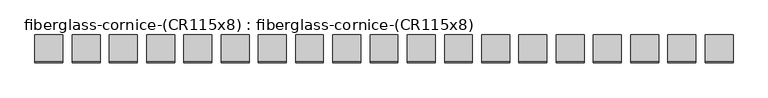
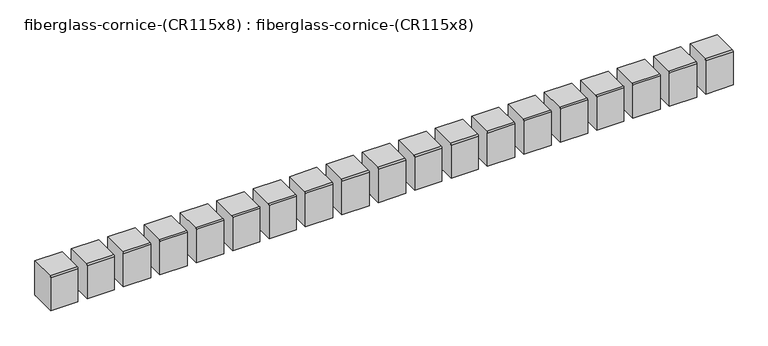
"""IFC4 building model written with IfcOpenShell, lengths in millimetres: furniture geometry, fiberglass-cornice-(CR115x8) : fiberglass-cornice-(CR115x8)."""

from ifc_helpers import new_model, si_unit, frame, origin, place, context, project, spatial, circle_curve, source, transform, mapped, element, save
from ifc_brep_helpers import plane_surface, cylinder_surface, advanced_brep


def fiberglass_cornice_cr115x8_fiberglass_cornice_cr115x8_b365bd9b(model_context):
    return source(origin(), model_context, "Body", "AdvancedBrep", [
        advanced_brep(
        [(-2171.7316018, 254.0000168, 133.3535912), (-2171.7316018, 257.1750148, 136.5250039), (-2171.7316018, 330.2314169, 136.5250208), (-2171.7316018, 330.2314169, 38.09225), (-2171.7316018, 327.0743395, 34.9351726), (-2171.7316018, 254.0000168, 34.9351726), (-2095.5002018, 254.0000168, 133.3535912), (-2095.5002018, 254.0000168, 34.9351726), (-2095.5002018, 327.0743395, 34.9351726), (-2095.5002018, 330.2314169, 38.09225), (-2095.5002018, 330.2314169, 136.5250208), (-2095.5002018, 257.1750149, 136.5250208)],
        [
            (0, 1, circle_curve(frame((-2171.7316018, 257.1750148, 133.3500039), z_axis=(-1.0, 0.0, 0.0), x_axis=(0.0, 1.0, 0.0)), 3.175)),
            (1, 2),
            (2, 3),
            (3, 4, circle_curve(frame((-2171.7316018, 327.0743395, 38.09225), z_axis=(-1.0, 0.0, 0.0), x_axis=(0.0, 1.0, 0.0)), 3.1570774)),
            (4, 5),
            (5, 0),
            (6, 7),
            (7, 8),
            (8, 9, circle_curve(frame((-2095.5002018, 327.0743395, 38.09225), z_axis=(1.0, 0.0, 0.0), x_axis=(0.0, 1.0, 0.0)), 3.1570774)),
            (9, 10),
            (10, 11),
            (11, 6, circle_curve(frame((-2095.5002018, 257.1750148, 133.3500039), z_axis=(1.0, 0.0, 0.0), x_axis=(0.0, 1.0, 0.0)), 3.175)),
            (0, 6),
            (11, 1),
            (10, 2),
            (9, 3),
            (8, 4),
            (7, 5),
        ],
        [
            plane_surface(frame((-2171.7316018, 260.3500148, 133.3500039), z_axis=(-1.0, 0.0, 0.0), x_axis=(0.0, 0.0, -1.0))),
            plane_surface(frame((-2095.5002018, 260.3500148, 133.3500039), z_axis=(1.0, 0.0, 0.0), x_axis=(0.0, 0.0, 1.0))),
            cylinder_surface(frame((-2095.5002018, 257.1750148, 133.3500039), z_axis=(-1.0, 0.0, 0.0), x_axis=(0.0, 1.0, 0.0)), 3.175),
            plane_surface(frame((-2171.7316018, 257.1750149, 136.5250208), z_axis=(0.0, 0.0, 1.0), x_axis=(1.0, 0.0, 0.0))),
            plane_surface(frame((-2171.7316018, 330.2314169, 136.5250208), z_axis=(0.0, 1.0, 0.0), x_axis=(1.0, 0.0, 0.0))),
            cylinder_surface(frame((-2095.5002018, 327.0743395, 38.09225), z_axis=(-1.0, 0.0, 0.0), x_axis=(0.0, 1.0, 0.0)), 3.1570774),
            plane_surface(frame((-2171.7316018, 327.0743395, 34.9351726), z_axis=(0.0, 0.0, -1.0), x_axis=(1.0, 0.0, 0.0))),
            plane_surface(frame((-2171.7316018, 254.0000168, 34.9351726), z_axis=(0.0, -1.0, 0.0), x_axis=(1.0, 0.0, 0.0))),
        ],
        [
            (0, [[1, 2, 3, 4, 5, 6]]),
            (1, [[7, 8, 9, 10, 11, 12]]),
            (2, [[-1, 13, -12, 14]]),
            (3, [[-2, -14, -11, 15]]),
            (4, [[-3, -15, -10, 16]]),
            (5, [[-4, -16, -9, 17]]),
            (6, [[-5, -17, -8, 18]]),
            (7, [[-6, -18, -7, -13]]),
        ],
    ),
        advanced_brep(
        [(-2070.1316018, 254.0000168, 133.3535912), (-2070.1316018, 257.1750148, 136.5250039), (-2070.1316018, 330.2314169, 136.5250208), (-2070.1316018, 330.2314169, 38.09225), (-2070.1316018, 327.0743395, 34.9351726), (-2070.1316018, 254.0000168, 34.9351726), (-1993.9002018, 254.0000168, 133.3535912), (-1993.9002018, 254.0000168, 34.9351726), (-1993.9002018, 327.0743395, 34.9351726), (-1993.9002018, 330.2314169, 38.09225), (-1993.9002018, 330.2314169, 136.5250208), (-1993.9002018, 257.1750149, 136.5250208)],
        [
            (0, 1, circle_curve(frame((-2070.1316018, 257.1750148, 133.3500039), z_axis=(-1.0, 0.0, 0.0), x_axis=(0.0, 1.0, 0.0)), 3.175)),
            (1, 2),
            (2, 3),
            (3, 4, circle_curve(frame((-2070.1316018, 327.0743395, 38.09225), z_axis=(-1.0, 0.0, 0.0), x_axis=(0.0, 1.0, 0.0)), 3.1570774)),
            (4, 5),
            (5, 0),
            (6, 7),
            (7, 8),
            (8, 9, circle_curve(frame((-1993.9002018, 327.0743395, 38.09225), z_axis=(1.0, 0.0, 0.0), x_axis=(0.0, 1.0, 0.0)), 3.1570774)),
            (9, 10),
            (10, 11),
            (11, 6, circle_curve(frame((-1993.9002018, 257.1750148, 133.3500039), z_axis=(1.0, 0.0, 0.0), x_axis=(0.0, 1.0, 0.0)), 3.175)),
            (0, 6),
            (11, 1),
            (10, 2),
            (9, 3),
            (8, 4),
            (7, 5),
        ],
        [
            plane_surface(frame((-2070.1316018, 260.3500148, 133.3500039), z_axis=(-1.0, 0.0, 0.0), x_axis=(0.0, 0.0, -1.0))),
            plane_surface(frame((-1993.9002018, 260.3500148, 133.3500039), z_axis=(1.0, 0.0, 0.0), x_axis=(0.0, 0.0, 1.0))),
            cylinder_surface(frame((-1993.9002018, 257.1750148, 133.3500039), z_axis=(-1.0, 0.0, 0.0), x_axis=(0.0, 1.0, 0.0)), 3.175),
            plane_surface(frame((-2070.1316018, 257.1750149, 136.5250208), z_axis=(0.0, 0.0, 1.0), x_axis=(1.0, 0.0, 0.0))),
            plane_surface(frame((-2070.1316018, 330.2314169, 136.5250208), z_axis=(0.0, 1.0, 0.0), x_axis=(1.0, 0.0, 0.0))),
            cylinder_surface(frame((-1993.9002018, 327.0743395, 38.09225), z_axis=(-1.0, 0.0, 0.0), x_axis=(0.0, 1.0, 0.0)), 3.1570774),
            plane_surface(frame((-2070.1316018, 327.0743395, 34.9351726), z_axis=(0.0, 0.0, -1.0), x_axis=(1.0, 0.0, 0.0))),
            plane_surface(frame((-2070.1316018, 254.0000168, 34.9351726), z_axis=(0.0, -1.0, 0.0), x_axis=(1.0, 0.0, 0.0))),
        ],
        [
            (0, [[1, 2, 3, 4, 5, 6]]),
            (1, [[7, 8, 9, 10, 11, 12]]),
            (2, [[-1, 13, -12, 14]]),
            (3, [[-2, -14, -11, 15]]),
            (4, [[-3, -15, -10, 16]]),
            (5, [[-4, -16, -9, 17]]),
            (6, [[-5, -17, -8, 18]]),
            (7, [[-6, -18, -7, -13]]),
        ],
    ),
        advanced_brep(
        [(-1968.5316018, 254.0000168, 133.3535912), (-1968.5316018, 257.1750148, 136.5250039), (-1968.5316018, 330.2314169, 136.5250208), (-1968.5316018, 330.2314169, 38.09225), (-1968.5316018, 327.0743395, 34.9351726), (-1968.5316018, 254.0000168, 34.9351726), (-1892.3002018, 254.0000168, 133.3535912), (-1892.3002018, 254.0000168, 34.9351726), (-1892.3002018, 327.0743395, 34.9351726), (-1892.3002018, 330.2314169, 38.09225), (-1892.3002018, 330.2314169, 136.5250208), (-1892.3002018, 257.1750149, 136.5250208)],
        [
            (0, 1, circle_curve(frame((-1968.5316018, 257.1750148, 133.3500039), z_axis=(-1.0, 0.0, 0.0), x_axis=(0.0, 1.0, 0.0)), 3.175)),
            (1, 2),
            (2, 3),
            (3, 4, circle_curve(frame((-1968.5316018, 327.0743395, 38.09225), z_axis=(-1.0, 0.0, 0.0), x_axis=(0.0, 1.0, 0.0)), 3.1570774)),
            (4, 5),
            (5, 0),
            (6, 7),
            (7, 8),
            (8, 9, circle_curve(frame((-1892.3002018, 327.0743395, 38.09225), z_axis=(1.0, 0.0, 0.0), x_axis=(0.0, 1.0, 0.0)), 3.1570774)),
            (9, 10),
            (10, 11),
            (11, 6, circle_curve(frame((-1892.3002018, 257.1750148, 133.3500039), z_axis=(1.0, 0.0, 0.0), x_axis=(0.0, 1.0, 0.0)), 3.175)),
            (0, 6),
            (11, 1),
            (10, 2),
            (9, 3),
            (8, 4),
            (7, 5),
        ],
        [
            plane_surface(frame((-1968.5316018, 260.3500148, 133.3500039), z_axis=(-1.0, 0.0, 0.0), x_axis=(0.0, 0.0, -1.0))),
            plane_surface(frame((-1892.3002018, 260.3500148, 133.3500039), z_axis=(1.0, 0.0, 0.0), x_axis=(0.0, 0.0, 1.0))),
            cylinder_surface(frame((-1892.3002018, 257.1750148, 133.3500039), z_axis=(-1.0, 0.0, 0.0), x_axis=(0.0, 1.0, 0.0)), 3.175),
            plane_surface(frame((-1968.5316018, 257.1750149, 136.5250208), z_axis=(0.0, 0.0, 1.0), x_axis=(1.0, 0.0, 0.0))),
            plane_surface(frame((-1968.5316018, 330.2314169, 136.5250208), z_axis=(0.0, 1.0, 0.0), x_axis=(1.0, 0.0, 0.0))),
            cylinder_surface(frame((-1892.3002018, 327.0743395, 38.09225), z_axis=(-1.0, 0.0, 0.0), x_axis=(0.0, 1.0, 0.0)), 3.1570774),
            plane_surface(frame((-1968.5316018, 327.0743395, 34.9351726), z_axis=(0.0, 0.0, -1.0), x_axis=(1.0, 0.0, 0.0))),
            plane_surface(frame((-1968.5316018, 254.0000168, 34.9351726), z_axis=(0.0, -1.0, 0.0), x_axis=(1.0, 0.0, 0.0))),
        ],
        [
            (0, [[1, 2, 3, 4, 5, 6]]),
            (1, [[7, 8, 9, 10, 11, 12]]),
            (2, [[-1, 13, -12, 14]]),
            (3, [[-2, -14, -11, 15]]),
            (4, [[-3, -15, -10, 16]]),
            (5, [[-4, -16, -9, 17]]),
            (6, [[-5, -17, -8, 18]]),
            (7, [[-6, -18, -7, -13]]),
        ],
    ),
        advanced_brep(
        [(-1866.9316018, 254.0000168, 133.3535912), (-1866.9316018, 257.1750148, 136.5250039), (-1866.9316018, 330.2314169, 136.5250208), (-1866.9316018, 330.2314169, 38.09225), (-1866.9316018, 327.0743395, 34.9351726), (-1866.9316018, 254.0000168, 34.9351726), (-1790.7002018, 254.0000168, 133.3535912), (-1790.7002018, 254.0000168, 34.9351726), (-1790.7002018, 327.0743395, 34.9351726), (-1790.7002018, 330.2314169, 38.09225), (-1790.7002018, 330.2314169, 136.5250208), (-1790.7002018, 257.1750149, 136.5250208)],
        [
            (0, 1, circle_curve(frame((-1866.9316018, 257.1750148, 133.3500039), z_axis=(-1.0, 0.0, 0.0), x_axis=(0.0, 1.0, 0.0)), 3.175)),
            (1, 2),
            (2, 3),
            (3, 4, circle_curve(frame((-1866.9316018, 327.0743395, 38.09225), z_axis=(-1.0, 0.0, 0.0), x_axis=(0.0, 1.0, 0.0)), 3.1570774)),
            (4, 5),
            (5, 0),
            (6, 7),
            (7, 8),
            (8, 9, circle_curve(frame((-1790.7002018, 327.0743395, 38.09225), z_axis=(1.0, 0.0, 0.0), x_axis=(0.0, 1.0, 0.0)), 3.1570774)),
            (9, 10),
            (10, 11),
            (11, 6, circle_curve(frame((-1790.7002018, 257.1750148, 133.3500039), z_axis=(1.0, 0.0, 0.0), x_axis=(0.0, 1.0, 0.0)), 3.175)),
            (0, 6),
            (11, 1),
            (10, 2),
            (9, 3),
            (8, 4),
            (7, 5),
        ],
        [
            plane_surface(frame((-1866.9316018, 260.3500148, 133.3500039), z_axis=(-1.0, 0.0, 0.0), x_axis=(0.0, 0.0, -1.0))),
            plane_surface(frame((-1790.7002018, 260.3500148, 133.3500039), z_axis=(1.0, 0.0, 0.0), x_axis=(0.0, 0.0, 1.0))),
            cylinder_surface(frame((-1790.7002018, 257.1750148, 133.3500039), z_axis=(-1.0, 0.0, 0.0), x_axis=(0.0, 1.0, 0.0)), 3.175),
            plane_surface(frame((-1866.9316018, 257.1750149, 136.5250208), z_axis=(0.0, 0.0, 1.0), x_axis=(1.0, 0.0, 0.0))),
            plane_surface(frame((-1866.9316018, 330.2314169, 136.5250208), z_axis=(0.0, 1.0, 0.0), x_axis=(1.0, 0.0, 0.0))),
            cylinder_surface(frame((-1790.7002018, 327.0743395, 38.09225), z_axis=(-1.0, 0.0, 0.0), x_axis=(0.0, 1.0, 0.0)), 3.1570774),
            plane_surface(frame((-1866.9316018, 327.0743395, 34.9351726), z_axis=(0.0, 0.0, -1.0), x_axis=(1.0, 0.0, 0.0))),
            plane_surface(frame((-1866.9316018, 254.0000168, 34.9351726), z_axis=(0.0, -1.0, 0.0), x_axis=(1.0, 0.0, 0.0))),
        ],
        [
            (0, [[1, 2, 3, 4, 5, 6]]),
            (1, [[7, 8, 9, 10, 11, 12]]),
            (2, [[-1, 13, -12, 14]]),
            (3, [[-2, -14, -11, 15]]),
            (4, [[-3, -15, -10, 16]]),
            (5, [[-4, -16, -9, 17]]),
            (6, [[-5, -17, -8, 18]]),
            (7, [[-6, -18, -7, -13]]),
        ],
    ),
        advanced_brep(
        [(-1765.3316018, 254.0000168, 133.3535912), (-1765.3316018, 257.1750148, 136.5250039), (-1765.3316018, 330.2314169, 136.5250208), (-1765.3316018, 330.2314169, 38.09225), (-1765.3316018, 327.0743395, 34.9351726), (-1765.3316018, 254.0000168, 34.9351726), (-1689.1002018, 254.0000168, 133.3535912), (-1689.1002018, 254.0000168, 34.9351726), (-1689.1002018, 327.0743395, 34.9351726), (-1689.1002018, 330.2314169, 38.09225), (-1689.1002018, 330.2314169, 136.5250208), (-1689.1002018, 257.1750149, 136.5250208)],
        [
            (0, 1, circle_curve(frame((-1765.3316018, 257.1750148, 133.3500039), z_axis=(-1.0, 0.0, 0.0), x_axis=(0.0, 1.0, 0.0)), 3.175)),
            (1, 2),
            (2, 3),
            (3, 4, circle_curve(frame((-1765.3316018, 327.0743395, 38.09225), z_axis=(-1.0, 0.0, 0.0), x_axis=(0.0, 1.0, 0.0)), 3.1570774)),
            (4, 5),
            (5, 0),
            (6, 7),
            (7, 8),
            (8, 9, circle_curve(frame((-1689.1002018, 327.0743395, 38.09225), z_axis=(1.0, 0.0, 0.0), x_axis=(0.0, 1.0, 0.0)), 3.1570774)),
            (9, 10),
            (10, 11),
            (11, 6, circle_curve(frame((-1689.1002018, 257.1750148, 133.3500039), z_axis=(1.0, 0.0, 0.0), x_axis=(0.0, 1.0, 0.0)), 3.175)),
            (0, 6),
            (11, 1),
            (10, 2),
            (9, 3),
            (8, 4),
            (7, 5),
        ],
        [
            plane_surface(frame((-1765.3316018, 260.3500148, 133.3500039), z_axis=(-1.0, 0.0, 0.0), x_axis=(0.0, 0.0, -1.0))),
            plane_surface(frame((-1689.1002018, 260.3500148, 133.3500039), z_axis=(1.0, 0.0, 0.0), x_axis=(0.0, 0.0, 1.0))),
            cylinder_surface(frame((-1689.1002018, 257.1750148, 133.3500039), z_axis=(-1.0, 0.0, 0.0), x_axis=(0.0, 1.0, 0.0)), 3.175),
            plane_surface(frame((-1765.3316018, 257.1750149, 136.5250208), z_axis=(0.0, 0.0, 1.0), x_axis=(1.0, 0.0, 0.0))),
            plane_surface(frame((-1765.3316018, 330.2314169, 136.5250208), z_axis=(0.0, 1.0, 0.0), x_axis=(1.0, 0.0, 0.0))),
            cylinder_surface(frame((-1689.1002018, 327.0743395, 38.09225), z_axis=(-1.0, 0.0, 0.0), x_axis=(0.0, 1.0, 0.0)), 3.1570774),
            plane_surface(frame((-1765.3316018, 327.0743395, 34.9351726), z_axis=(0.0, 0.0, -1.0), x_axis=(1.0, 0.0, 0.0))),
            plane_surface(frame((-1765.3316018, 254.0000168, 34.9351726), z_axis=(0.0, -1.0, 0.0), x_axis=(1.0, 0.0, 0.0))),
        ],
        [
            (0, [[1, 2, 3, 4, 5, 6]]),
            (1, [[7, 8, 9, 10, 11, 12]]),
            (2, [[-1, 13, -12, 14]]),
            (3, [[-2, -14, -11, 15]]),
            (4, [[-3, -15, -10, 16]]),
            (5, [[-4, -16, -9, 17]]),
            (6, [[-5, -17, -8, 18]]),
            (7, [[-6, -18, -7, -13]]),
        ],
    ),
        advanced_brep(
        [(-1663.7316018, 254.0000168, 133.3535912), (-1663.7316018, 257.1750148, 136.5250039), (-1663.7316018, 330.2314169, 136.5250208), (-1663.7316018, 330.2314169, 38.09225), (-1663.7316018, 327.0743395, 34.9351726), (-1663.7316018, 254.0000168, 34.9351726), (-1587.5002018, 254.0000168, 133.3535912), (-1587.5002018, 254.0000168, 34.9351726), (-1587.5002018, 327.0743395, 34.9351726), (-1587.5002018, 330.2314169, 38.09225), (-1587.5002018, 330.2314169, 136.5250208), (-1587.5002018, 257.1750149, 136.5250208)],
        [
            (0, 1, circle_curve(frame((-1663.7316018, 257.1750148, 133.3500039), z_axis=(-1.0, 0.0, 0.0), x_axis=(0.0, 1.0, 0.0)), 3.175)),
            (1, 2),
            (2, 3),
            (3, 4, circle_curve(frame((-1663.7316018, 327.0743395, 38.09225), z_axis=(-1.0, 0.0, 0.0), x_axis=(0.0, 1.0, 0.0)), 3.1570774)),
            (4, 5),
            (5, 0),
            (6, 7),
            (7, 8),
            (8, 9, circle_curve(frame((-1587.5002018, 327.0743395, 38.09225), z_axis=(1.0, 0.0, 0.0), x_axis=(0.0, 1.0, 0.0)), 3.1570774)),
            (9, 10),
            (10, 11),
            (11, 6, circle_curve(frame((-1587.5002018, 257.1750148, 133.3500039), z_axis=(1.0, 0.0, 0.0), x_axis=(0.0, 1.0, 0.0)), 3.175)),
            (0, 6),
            (11, 1),
            (10, 2),
            (9, 3),
            (8, 4),
            (7, 5),
        ],
        [
            plane_surface(frame((-1663.7316018, 260.3500148, 133.3500039), z_axis=(-1.0, 0.0, 0.0), x_axis=(0.0, 0.0, -1.0))),
            plane_surface(frame((-1587.5002018, 260.3500148, 133.3500039), z_axis=(1.0, 0.0, 0.0), x_axis=(0.0, 0.0, 1.0))),
            cylinder_surface(frame((-1587.5002018, 257.1750148, 133.3500039), z_axis=(-1.0, 0.0, 0.0), x_axis=(0.0, 1.0, 0.0)), 3.175),
            plane_surface(frame((-1663.7316018, 257.1750149, 136.5250208), z_axis=(0.0, 0.0, 1.0), x_axis=(1.0, 0.0, 0.0))),
            plane_surface(frame((-1663.7316018, 330.2314169, 136.5250208), z_axis=(0.0, 1.0, 0.0), x_axis=(1.0, 0.0, 0.0))),
            cylinder_surface(frame((-1587.5002018, 327.0743395, 38.09225), z_axis=(-1.0, 0.0, 0.0), x_axis=(0.0, 1.0, 0.0)), 3.1570774),
            plane_surface(frame((-1663.7316018, 327.0743395, 34.9351726), z_axis=(0.0, 0.0, -1.0), x_axis=(1.0, 0.0, 0.0))),
            plane_surface(frame((-1663.7316018, 254.0000168, 34.9351726), z_axis=(0.0, -1.0, 0.0), x_axis=(1.0, 0.0, 0.0))),
        ],
        [
            (0, [[1, 2, 3, 4, 5, 6]]),
            (1, [[7, 8, 9, 10, 11, 12]]),
            (2, [[-1, 13, -12, 14]]),
            (3, [[-2, -14, -11, 15]]),
            (4, [[-3, -15, -10, 16]]),
            (5, [[-4, -16, -9, 17]]),
            (6, [[-5, -17, -8, 18]]),
            (7, [[-6, -18, -7, -13]]),
        ],
    ),
        advanced_brep(
        [(-1562.1316018, 254.0000168, 133.3535912), (-1562.1316018, 257.1750148, 136.5250039), (-1562.1316018, 330.2314169, 136.5250208), (-1562.1316018, 330.2314169, 38.09225), (-1562.1316018, 327.0743395, 34.9351726), (-1562.1316018, 254.0000168, 34.9351726), (-1485.9002018, 254.0000168, 133.3535912), (-1485.9002018, 254.0000168, 34.9351726), (-1485.9002018, 327.0743395, 34.9351726), (-1485.9002018, 330.2314169, 38.09225), (-1485.9002018, 330.2314169, 136.5250208), (-1485.9002018, 257.1750149, 136.5250208)],
        [
            (0, 1, circle_curve(frame((-1562.1316018, 257.1750148, 133.3500039), z_axis=(-1.0, 0.0, 0.0), x_axis=(0.0, 1.0, 0.0)), 3.175)),
            (1, 2),
            (2, 3),
            (3, 4, circle_curve(frame((-1562.1316018, 327.0743395, 38.09225), z_axis=(-1.0, 0.0, 0.0), x_axis=(0.0, 1.0, 0.0)), 3.1570774)),
            (4, 5),
            (5, 0),
            (6, 7),
            (7, 8),
            (8, 9, circle_curve(frame((-1485.9002018, 327.0743395, 38.09225), z_axis=(1.0, 0.0, 0.0), x_axis=(0.0, 1.0, 0.0)), 3.1570774)),
            (9, 10),
            (10, 11),
            (11, 6, circle_curve(frame((-1485.9002018, 257.1750148, 133.3500039), z_axis=(1.0, 0.0, 0.0), x_axis=(0.0, 1.0, 0.0)), 3.175)),
            (0, 6),
            (11, 1),
            (10, 2),
            (9, 3),
            (8, 4),
            (7, 5),
        ],
        [
            plane_surface(frame((-1562.1316018, 260.3500148, 133.3500039), z_axis=(-1.0, 0.0, 0.0), x_axis=(0.0, 0.0, -1.0))),
            plane_surface(frame((-1485.9002018, 260.3500148, 133.3500039), z_axis=(1.0, 0.0, 0.0), x_axis=(0.0, 0.0, 1.0))),
            cylinder_surface(frame((-1485.9002018, 257.1750148, 133.3500039), z_axis=(-1.0, 0.0, 0.0), x_axis=(0.0, 1.0, 0.0)), 3.175),
            plane_surface(frame((-1562.1316018, 257.1750149, 136.5250208), z_axis=(0.0, 0.0, 1.0), x_axis=(1.0, 0.0, 0.0))),
            plane_surface(frame((-1562.1316018, 330.2314169, 136.5250208), z_axis=(0.0, 1.0, 0.0), x_axis=(1.0, 0.0, 0.0))),
            cylinder_surface(frame((-1485.9002018, 327.0743395, 38.09225), z_axis=(-1.0, 0.0, 0.0), x_axis=(0.0, 1.0, 0.0)), 3.1570774),
            plane_surface(frame((-1562.1316018, 327.0743395, 34.9351726), z_axis=(0.0, 0.0, -1.0), x_axis=(1.0, 0.0, 0.0))),
            plane_surface(frame((-1562.1316018, 254.0000168, 34.9351726), z_axis=(0.0, -1.0, 0.0), x_axis=(1.0, 0.0, 0.0))),
        ],
        [
            (0, [[1, 2, 3, 4, 5, 6]]),
            (1, [[7, 8, 9, 10, 11, 12]]),
            (2, [[-1, 13, -12, 14]]),
            (3, [[-2, -14, -11, 15]]),
            (4, [[-3, -15, -10, 16]]),
            (5, [[-4, -16, -9, 17]]),
            (6, [[-5, -17, -8, 18]]),
            (7, [[-6, -18, -7, -13]]),
        ],
    ),
        advanced_brep(
        [(-1460.5316018, 254.0000168, 133.3535912), (-1460.5316018, 257.1750148, 136.5250039), (-1460.5316018, 330.2314169, 136.5250208), (-1460.5316018, 330.2314169, 38.09225), (-1460.5316018, 327.0743395, 34.9351726), (-1460.5316018, 254.0000168, 34.9351726), (-1384.3002018, 254.0000168, 133.3535912), (-1384.3002018, 254.0000168, 34.9351726), (-1384.3002018, 327.0743395, 34.9351726), (-1384.3002018, 330.2314169, 38.09225), (-1384.3002018, 330.2314169, 136.5250208), (-1384.3002018, 257.1750149, 136.5250208)],
        [
            (0, 1, circle_curve(frame((-1460.5316018, 257.1750148, 133.3500039), z_axis=(-1.0, 0.0, 0.0), x_axis=(0.0, 1.0, 0.0)), 3.175)),
            (1, 2),
            (2, 3),
            (3, 4, circle_curve(frame((-1460.5316018, 327.0743395, 38.09225), z_axis=(-1.0, 0.0, 0.0), x_axis=(0.0, 1.0, 0.0)), 3.1570774)),
            (4, 5),
            (5, 0),
            (6, 7),
            (7, 8),
            (8, 9, circle_curve(frame((-1384.3002018, 327.0743395, 38.09225), z_axis=(1.0, 0.0, 0.0), x_axis=(0.0, 1.0, 0.0)), 3.1570774)),
            (9, 10),
            (10, 11),
            (11, 6, circle_curve(frame((-1384.3002018, 257.1750148, 133.3500039), z_axis=(1.0, 0.0, 0.0), x_axis=(0.0, 1.0, 0.0)), 3.175)),
            (0, 6),
            (11, 1),
            (10, 2),
            (9, 3),
            (8, 4),
            (7, 5),
        ],
        [
            plane_surface(frame((-1460.5316018, 260.3500148, 133.3500039), z_axis=(-1.0, 0.0, 0.0), x_axis=(0.0, 0.0, -1.0))),
            plane_surface(frame((-1384.3002018, 260.3500148, 133.3500039), z_axis=(1.0, 0.0, 0.0), x_axis=(0.0, 0.0, 1.0))),
            cylinder_surface(frame((-1384.3002018, 257.1750148, 133.3500039), z_axis=(-1.0, 0.0, 0.0), x_axis=(0.0, 1.0, 0.0)), 3.175),
            plane_surface(frame((-1460.5316018, 257.1750149, 136.5250208), z_axis=(0.0, 0.0, 1.0), x_axis=(1.0, 0.0, 0.0))),
            plane_surface(frame((-1460.5316018, 330.2314169, 136.5250208), z_axis=(0.0, 1.0, 0.0), x_axis=(1.0, 0.0, 0.0))),
            cylinder_surface(frame((-1384.3002018, 327.0743395, 38.09225), z_axis=(-1.0, 0.0, 0.0), x_axis=(0.0, 1.0, 0.0)), 3.1570774),
            plane_surface(frame((-1460.5316018, 327.0743395, 34.9351726), z_axis=(0.0, 0.0, -1.0), x_axis=(1.0, 0.0, 0.0))),
            plane_surface(frame((-1460.5316018, 254.0000168, 34.9351726), z_axis=(0.0, -1.0, 0.0), x_axis=(1.0, 0.0, 0.0))),
        ],
        [
            (0, [[1, 2, 3, 4, 5, 6]]),
            (1, [[7, 8, 9, 10, 11, 12]]),
            (2, [[-1, 13, -12, 14]]),
            (3, [[-2, -14, -11, 15]]),
            (4, [[-3, -15, -10, 16]]),
            (5, [[-4, -16, -9, 17]]),
            (6, [[-5, -17, -8, 18]]),
            (7, [[-6, -18, -7, -13]]),
        ],
    ),
        advanced_brep(
        [(-1358.9316018, 254.0000168, 133.3535912), (-1358.9316018, 257.1750148, 136.5250039), (-1358.9316018, 330.2314169, 136.5250208), (-1358.9316018, 330.2314169, 38.09225), (-1358.9316018, 327.0743395, 34.9351726), (-1358.9316018, 254.0000168, 34.9351726), (-1282.7002018, 254.0000168, 133.3535912), (-1282.7002018, 254.0000168, 34.9351726), (-1282.7002018, 327.0743395, 34.9351726), (-1282.7002018, 330.2314169, 38.09225), (-1282.7002018, 330.2314169, 136.5250208), (-1282.7002018, 257.1750149, 136.5250208)],
        [
            (0, 1, circle_curve(frame((-1358.9316018, 257.1750148, 133.3500039), z_axis=(-1.0, 0.0, 0.0), x_axis=(0.0, 1.0, 0.0)), 3.175)),
            (1, 2),
            (2, 3),
            (3, 4, circle_curve(frame((-1358.9316018, 327.0743395, 38.09225), z_axis=(-1.0, 0.0, 0.0), x_axis=(0.0, 1.0, 0.0)), 3.1570774)),
            (4, 5),
            (5, 0),
            (6, 7),
            (7, 8),
            (8, 9, circle_curve(frame((-1282.7002018, 327.0743395, 38.09225), z_axis=(1.0, 0.0, 0.0), x_axis=(0.0, 1.0, 0.0)), 3.1570774)),
            (9, 10),
            (10, 11),
            (11, 6, circle_curve(frame((-1282.7002018, 257.1750148, 133.3500039), z_axis=(1.0, 0.0, 0.0), x_axis=(0.0, 1.0, 0.0)), 3.175)),
            (0, 6),
            (11, 1),
            (10, 2),
            (9, 3),
            (8, 4),
            (7, 5),
        ],
        [
            plane_surface(frame((-1358.9316018, 260.3500148, 133.3500039), z_axis=(-1.0, 0.0, 0.0), x_axis=(0.0, 0.0, -1.0))),
            plane_surface(frame((-1282.7002018, 260.3500148, 133.3500039), z_axis=(1.0, 0.0, 0.0), x_axis=(0.0, 0.0, 1.0))),
            cylinder_surface(frame((-1282.7002018, 257.1750148, 133.3500039), z_axis=(-1.0, 0.0, 0.0), x_axis=(0.0, 1.0, 0.0)), 3.175),
            plane_surface(frame((-1358.9316018, 257.1750149, 136.5250208), z_axis=(0.0, 0.0, 1.0), x_axis=(1.0, 0.0, 0.0))),
            plane_surface(frame((-1358.9316018, 330.2314169, 136.5250208), z_axis=(0.0, 1.0, 0.0), x_axis=(1.0, 0.0, 0.0))),
            cylinder_surface(frame((-1282.7002018, 327.0743395, 38.09225), z_axis=(-1.0, 0.0, 0.0), x_axis=(0.0, 1.0, 0.0)), 3.1570774),
            plane_surface(frame((-1358.9316018, 327.0743395, 34.9351726), z_axis=(0.0, 0.0, -1.0), x_axis=(1.0, 0.0, 0.0))),
            plane_surface(frame((-1358.9316018, 254.0000168, 34.9351726), z_axis=(0.0, -1.0, 0.0), x_axis=(1.0, 0.0, 0.0))),
        ],
        [
            (0, [[1, 2, 3, 4, 5, 6]]),
            (1, [[7, 8, 9, 10, 11, 12]]),
            (2, [[-1, 13, -12, 14]]),
            (3, [[-2, -14, -11, 15]]),
            (4, [[-3, -15, -10, 16]]),
            (5, [[-4, -16, -9, 17]]),
            (6, [[-5, -17, -8, 18]]),
            (7, [[-6, -18, -7, -13]]),
        ],
    ),
        advanced_brep(
        [(-1257.3316018, 254.0000168, 133.3535912), (-1257.3316018, 257.1750148, 136.5250039), (-1257.3316018, 330.2314169, 136.5250208), (-1257.3316018, 330.2314169, 38.09225), (-1257.3316018, 327.0743395, 34.9351726), (-1257.3316018, 254.0000168, 34.9351726), (-1181.1002018, 254.0000168, 133.3535912), (-1181.1002018, 254.0000168, 34.9351726), (-1181.1002018, 327.0743395, 34.9351726), (-1181.1002018, 330.2314169, 38.09225), (-1181.1002018, 330.2314169, 136.5250208), (-1181.1002018, 257.1750149, 136.5250208)],
        [
            (0, 1, circle_curve(frame((-1257.3316018, 257.1750148, 133.3500039), z_axis=(-1.0, 0.0, 0.0), x_axis=(0.0, 1.0, 0.0)), 3.175)),
            (1, 2),
            (2, 3),
            (3, 4, circle_curve(frame((-1257.3316018, 327.0743395, 38.09225), z_axis=(-1.0, 0.0, 0.0), x_axis=(0.0, 1.0, 0.0)), 3.1570774)),
            (4, 5),
            (5, 0),
            (6, 7),
            (7, 8),
            (8, 9, circle_curve(frame((-1181.1002018, 327.0743395, 38.09225), z_axis=(1.0, 0.0, 0.0), x_axis=(0.0, 1.0, 0.0)), 3.1570774)),
            (9, 10),
            (10, 11),
            (11, 6, circle_curve(frame((-1181.1002018, 257.1750148, 133.3500039), z_axis=(1.0, 0.0, 0.0), x_axis=(0.0, 1.0, 0.0)), 3.175)),
            (0, 6),
            (11, 1),
            (10, 2),
            (9, 3),
            (8, 4),
            (7, 5),
        ],
        [
            plane_surface(frame((-1257.3316018, 260.3500148, 133.3500039), z_axis=(-1.0, 0.0, 0.0), x_axis=(0.0, 0.0, -1.0))),
            plane_surface(frame((-1181.1002018, 260.3500148, 133.3500039), z_axis=(1.0, 0.0, 0.0), x_axis=(0.0, 0.0, 1.0))),
            cylinder_surface(frame((-1181.1002018, 257.1750148, 133.3500039), z_axis=(-1.0, 0.0, 0.0), x_axis=(0.0, 1.0, 0.0)), 3.175),
            plane_surface(frame((-1257.3316018, 257.1750149, 136.5250208), z_axis=(0.0, 0.0, 1.0), x_axis=(1.0, 0.0, 0.0))),
            plane_surface(frame((-1257.3316018, 330.2314169, 136.5250208), z_axis=(0.0, 1.0, 0.0), x_axis=(1.0, 0.0, 0.0))),
            cylinder_surface(frame((-1181.1002018, 327.0743395, 38.09225), z_axis=(-1.0, 0.0, 0.0), x_axis=(0.0, 1.0, 0.0)), 3.1570774),
            plane_surface(frame((-1257.3316018, 327.0743395, 34.9351726), z_axis=(0.0, 0.0, -1.0), x_axis=(1.0, 0.0, 0.0))),
            plane_surface(frame((-1257.3316018, 254.0000168, 34.9351726), z_axis=(0.0, -1.0, 0.0), x_axis=(1.0, 0.0, 0.0))),
        ],
        [
            (0, [[1, 2, 3, 4, 5, 6]]),
            (1, [[7, 8, 9, 10, 11, 12]]),
            (2, [[-1, 13, -12, 14]]),
            (3, [[-2, -14, -11, 15]]),
            (4, [[-3, -15, -10, 16]]),
            (5, [[-4, -16, -9, 17]]),
            (6, [[-5, -17, -8, 18]]),
            (7, [[-6, -18, -7, -13]]),
        ],
    ),
        advanced_brep(
        [(-1155.7316018, 254.0000168, 133.3535912), (-1155.7316018, 257.1750148, 136.5250039), (-1155.7316018, 330.2314169, 136.5250208), (-1155.7316018, 330.2314169, 38.09225), (-1155.7316018, 327.0743395, 34.9351726), (-1155.7316018, 254.0000168, 34.9351726), (-1079.5002018, 254.0000168, 133.3535912), (-1079.5002018, 254.0000168, 34.9351726), (-1079.5002018, 327.0743395, 34.9351726), (-1079.5002018, 330.2314169, 38.09225), (-1079.5002018, 330.2314169, 136.5250208), (-1079.5002018, 257.1750149, 136.5250208)],
        [
            (0, 1, circle_curve(frame((-1155.7316018, 257.1750148, 133.3500039), z_axis=(-1.0, 0.0, 0.0), x_axis=(0.0, 1.0, 0.0)), 3.175)),
            (1, 2),
            (2, 3),
            (3, 4, circle_curve(frame((-1155.7316018, 327.0743395, 38.09225), z_axis=(-1.0, 0.0, 0.0), x_axis=(0.0, 1.0, 0.0)), 3.1570774)),
            (4, 5),
            (5, 0),
            (6, 7),
            (7, 8),
            (8, 9, circle_curve(frame((-1079.5002018, 327.0743395, 38.09225), z_axis=(1.0, 0.0, 0.0), x_axis=(0.0, 1.0, 0.0)), 3.1570774)),
            (9, 10),
            (10, 11),
            (11, 6, circle_curve(frame((-1079.5002018, 257.1750148, 133.3500039), z_axis=(1.0, 0.0, 0.0), x_axis=(0.0, 1.0, 0.0)), 3.175)),
            (0, 6),
            (11, 1),
            (10, 2),
            (9, 3),
            (8, 4),
            (7, 5),
        ],
        [
            plane_surface(frame((-1155.7316018, 260.3500148, 133.3500039), z_axis=(-1.0, 0.0, 0.0), x_axis=(0.0, 0.0, -1.0))),
            plane_surface(frame((-1079.5002018, 260.3500148, 133.3500039), z_axis=(1.0, 0.0, 0.0), x_axis=(0.0, 0.0, 1.0))),
            cylinder_surface(frame((-1079.5002018, 257.1750148, 133.3500039), z_axis=(-1.0, 0.0, 0.0), x_axis=(0.0, 1.0, 0.0)), 3.175),
            plane_surface(frame((-1155.7316018, 257.1750149, 136.5250208), z_axis=(0.0, 0.0, 1.0), x_axis=(1.0, 0.0, 0.0))),
            plane_surface(frame((-1155.7316018, 330.2314169, 136.5250208), z_axis=(0.0, 1.0, 0.0), x_axis=(1.0, 0.0, 0.0))),
            cylinder_surface(frame((-1079.5002018, 327.0743395, 38.09225), z_axis=(-1.0, 0.0, 0.0), x_axis=(0.0, 1.0, 0.0)), 3.1570774),
            plane_surface(frame((-1155.7316018, 327.0743395, 34.9351726), z_axis=(0.0, 0.0, -1.0), x_axis=(1.0, 0.0, 0.0))),
            plane_surface(frame((-1155.7316018, 254.0000168, 34.9351726), z_axis=(0.0, -1.0, 0.0), x_axis=(1.0, 0.0, 0.0))),
        ],
        [
            (0, [[1, 2, 3, 4, 5, 6]]),
            (1, [[7, 8, 9, 10, 11, 12]]),
            (2, [[-1, 13, -12, 14]]),
            (3, [[-2, -14, -11, 15]]),
            (4, [[-3, -15, -10, 16]]),
            (5, [[-4, -16, -9, 17]]),
            (6, [[-5, -17, -8, 18]]),
            (7, [[-6, -18, -7, -13]]),
        ],
    ),
        advanced_brep(
        [(-1054.1316018, 254.0000168, 133.3535912), (-1054.1316018, 257.1750148, 136.5250039), (-1054.1316018, 330.2314169, 136.5250208), (-1054.1316018, 330.2314169, 38.09225), (-1054.1316018, 327.0743395, 34.9351726), (-1054.1316018, 254.0000168, 34.9351726), (-977.9002018, 254.0000168, 133.3535912), (-977.9002018, 254.0000168, 34.9351726), (-977.9002018, 327.0743395, 34.9351726), (-977.9002018, 330.2314169, 38.09225), (-977.9002018, 330.2314169, 136.5250208), (-977.9002018, 257.1750149, 136.5250208)],
        [
            (0, 1, circle_curve(frame((-1054.1316018, 257.1750148, 133.3500039), z_axis=(-1.0, 0.0, 0.0), x_axis=(0.0, 1.0, 0.0)), 3.175)),
            (1, 2),
            (2, 3),
            (3, 4, circle_curve(frame((-1054.1316018, 327.0743395, 38.09225), z_axis=(-1.0, 0.0, 0.0), x_axis=(0.0, 1.0, 0.0)), 3.1570774)),
            (4, 5),
            (5, 0),
            (6, 7),
            (7, 8),
            (8, 9, circle_curve(frame((-977.9002018, 327.0743395, 38.09225), z_axis=(1.0, 0.0, 0.0), x_axis=(0.0, 1.0, 0.0)), 3.1570774)),
            (9, 10),
            (10, 11),
            (11, 6, circle_curve(frame((-977.9002018, 257.1750148, 133.3500039), z_axis=(1.0, 0.0, 0.0), x_axis=(0.0, 1.0, 0.0)), 3.175)),
            (0, 6),
            (11, 1),
            (10, 2),
            (9, 3),
            (8, 4),
            (7, 5),
        ],
        [
            plane_surface(frame((-1054.1316018, 260.3500148, 133.3500039), z_axis=(-1.0, 0.0, 0.0), x_axis=(0.0, 0.0, -1.0))),
            plane_surface(frame((-977.9002018, 260.3500148, 133.3500039), z_axis=(1.0, 0.0, 0.0), x_axis=(0.0, 0.0, 1.0))),
            cylinder_surface(frame((-977.9002018, 257.1750148, 133.3500039), z_axis=(-1.0, 0.0, 0.0), x_axis=(0.0, 1.0, 0.0)), 3.175),
            plane_surface(frame((-1054.1316018, 257.1750149, 136.5250208), z_axis=(0.0, 0.0, 1.0), x_axis=(1.0, 0.0, 0.0))),
            plane_surface(frame((-1054.1316018, 330.2314169, 136.5250208), z_axis=(0.0, 1.0, 0.0), x_axis=(1.0, 0.0, 0.0))),
            cylinder_surface(frame((-977.9002018, 327.0743395, 38.09225), z_axis=(-1.0, 0.0, 0.0), x_axis=(0.0, 1.0, 0.0)), 3.1570774),
            plane_surface(frame((-1054.1316018, 327.0743395, 34.9351726), z_axis=(0.0, 0.0, -1.0), x_axis=(1.0, 0.0, 0.0))),
            plane_surface(frame((-1054.1316018, 254.0000168, 34.9351726), z_axis=(0.0, -1.0, 0.0), x_axis=(1.0, 0.0, 0.0))),
        ],
        [
            (0, [[1, 2, 3, 4, 5, 6]]),
            (1, [[7, 8, 9, 10, 11, 12]]),
            (2, [[-1, 13, -12, 14]]),
            (3, [[-2, -14, -11, 15]]),
            (4, [[-3, -15, -10, 16]]),
            (5, [[-4, -16, -9, 17]]),
            (6, [[-5, -17, -8, 18]]),
            (7, [[-6, -18, -7, -13]]),
        ],
    ),
        advanced_brep(
        [(-952.5316018, 254.0000168, 133.3535912), (-952.5316018, 257.1750148, 136.5250039), (-952.5316018, 330.2314169, 136.5250208), (-952.5316018, 330.2314169, 38.09225), (-952.5316018, 327.0743395, 34.9351726), (-952.5316018, 254.0000168, 34.9351726), (-876.3002018, 254.0000168, 133.3535912), (-876.3002018, 254.0000168, 34.9351726), (-876.3002018, 327.0743395, 34.9351726), (-876.3002018, 330.2314169, 38.09225), (-876.3002018, 330.2314169, 136.5250208), (-876.3002018, 257.1750149, 136.5250208)],
        [
            (0, 1, circle_curve(frame((-952.5316018, 257.1750148, 133.3500039), z_axis=(-1.0, 0.0, 0.0), x_axis=(0.0, 1.0, 0.0)), 3.175)),
            (1, 2),
            (2, 3),
            (3, 4, circle_curve(frame((-952.5316018, 327.0743395, 38.09225), z_axis=(-1.0, 0.0, 0.0), x_axis=(0.0, 1.0, 0.0)), 3.1570774)),
            (4, 5),
            (5, 0),
            (6, 7),
            (7, 8),
            (8, 9, circle_curve(frame((-876.3002018, 327.0743395, 38.09225), z_axis=(1.0, 0.0, 0.0), x_axis=(0.0, 1.0, 0.0)), 3.1570774)),
            (9, 10),
            (10, 11),
            (11, 6, circle_curve(frame((-876.3002018, 257.1750148, 133.3500039), z_axis=(1.0, 0.0, 0.0), x_axis=(0.0, 1.0, 0.0)), 3.175)),
            (0, 6),
            (11, 1),
            (10, 2),
            (9, 3),
            (8, 4),
            (7, 5),
        ],
        [
            plane_surface(frame((-952.5316018, 260.3500148, 133.3500039), z_axis=(-1.0, 0.0, 0.0), x_axis=(0.0, 0.0, -1.0))),
            plane_surface(frame((-876.3002018, 260.3500148, 133.3500039), z_axis=(1.0, 0.0, 0.0), x_axis=(0.0, 0.0, 1.0))),
            cylinder_surface(frame((-876.3002018, 257.1750148, 133.3500039), z_axis=(-1.0, 0.0, 0.0), x_axis=(0.0, 1.0, 0.0)), 3.175),
            plane_surface(frame((-952.5316018, 257.1750149, 136.5250208), z_axis=(0.0, 0.0, 1.0), x_axis=(1.0, 0.0, 0.0))),
            plane_surface(frame((-952.5316018, 330.2314169, 136.5250208), z_axis=(0.0, 1.0, 0.0), x_axis=(1.0, 0.0, 0.0))),
            cylinder_surface(frame((-876.3002018, 327.0743395, 38.09225), z_axis=(-1.0, 0.0, 0.0), x_axis=(0.0, 1.0, 0.0)), 3.1570774),
            plane_surface(frame((-952.5316018, 327.0743395, 34.9351726), z_axis=(0.0, 0.0, -1.0), x_axis=(1.0, 0.0, 0.0))),
            plane_surface(frame((-952.5316018, 254.0000168, 34.9351726), z_axis=(0.0, -1.0, 0.0), x_axis=(1.0, 0.0, 0.0))),
        ],
        [
            (0, [[1, 2, 3, 4, 5, 6]]),
            (1, [[7, 8, 9, 10, 11, 12]]),
            (2, [[-1, 13, -12, 14]]),
            (3, [[-2, -14, -11, 15]]),
            (4, [[-3, -15, -10, 16]]),
            (5, [[-4, -16, -9, 17]]),
            (6, [[-5, -17, -8, 18]]),
            (7, [[-6, -18, -7, -13]]),
        ],
    ),
        advanced_brep(
        [(-850.9316018, 254.0000168, 133.3535912), (-850.9316018, 257.1750148, 136.5250039), (-850.9316018, 330.2314169, 136.5250208), (-850.9316018, 330.2314169, 38.09225), (-850.9316018, 327.0743395, 34.9351726), (-850.9316018, 254.0000168, 34.9351726), (-774.7002018, 254.0000168, 133.3535912), (-774.7002018, 254.0000168, 34.9351726), (-774.7002018, 327.0743395, 34.9351726), (-774.7002018, 330.2314169, 38.09225), (-774.7002018, 330.2314169, 136.5250208), (-774.7002018, 257.1750149, 136.5250208)],
        [
            (0, 1, circle_curve(frame((-850.9316018, 257.1750148, 133.3500039), z_axis=(-1.0, 0.0, 0.0), x_axis=(0.0, 1.0, 0.0)), 3.175)),
            (1, 2),
            (2, 3),
            (3, 4, circle_curve(frame((-850.9316018, 327.0743395, 38.09225), z_axis=(-1.0, 0.0, 0.0), x_axis=(0.0, 1.0, 0.0)), 3.1570774)),
            (4, 5),
            (5, 0),
            (6, 7),
            (7, 8),
            (8, 9, circle_curve(frame((-774.7002018, 327.0743395, 38.09225), z_axis=(1.0, 0.0, 0.0), x_axis=(0.0, 1.0, 0.0)), 3.1570774)),
            (9, 10),
            (10, 11),
            (11, 6, circle_curve(frame((-774.7002018, 257.1750148, 133.3500039), z_axis=(1.0, 0.0, 0.0), x_axis=(0.0, 1.0, 0.0)), 3.175)),
            (0, 6),
            (11, 1),
            (10, 2),
            (9, 3),
            (8, 4),
            (7, 5),
        ],
        [
            plane_surface(frame((-850.9316018, 260.3500148, 133.3500039), z_axis=(-1.0, 0.0, 0.0), x_axis=(0.0, 0.0, -1.0))),
            plane_surface(frame((-774.7002018, 260.3500148, 133.3500039), z_axis=(1.0, 0.0, 0.0), x_axis=(0.0, 0.0, 1.0))),
            cylinder_surface(frame((-774.7002018, 257.1750148, 133.3500039), z_axis=(-1.0, 0.0, 0.0), x_axis=(0.0, 1.0, 0.0)), 3.175),
            plane_surface(frame((-850.9316018, 257.1750149, 136.5250208), z_axis=(0.0, 0.0, 1.0), x_axis=(1.0, 0.0, 0.0))),
            plane_surface(frame((-850.9316018, 330.2314169, 136.5250208), z_axis=(0.0, 1.0, 0.0), x_axis=(1.0, 0.0, 0.0))),
            cylinder_surface(frame((-774.7002018, 327.0743395, 38.09225), z_axis=(-1.0, 0.0, 0.0), x_axis=(0.0, 1.0, 0.0)), 3.1570774),
            plane_surface(frame((-850.9316018, 327.0743395, 34.9351726), z_axis=(0.0, 0.0, -1.0), x_axis=(1.0, 0.0, 0.0))),
            plane_surface(frame((-850.9316018, 254.0000168, 34.9351726), z_axis=(0.0, -1.0, 0.0), x_axis=(1.0, 0.0, 0.0))),
        ],
        [
            (0, [[1, 2, 3, 4, 5, 6]]),
            (1, [[7, 8, 9, 10, 11, 12]]),
            (2, [[-1, 13, -12, 14]]),
            (3, [[-2, -14, -11, 15]]),
            (4, [[-3, -15, -10, 16]]),
            (5, [[-4, -16, -9, 17]]),
            (6, [[-5, -17, -8, 18]]),
            (7, [[-6, -18, -7, -13]]),
        ],
    ),
        advanced_brep(
        [(-749.3316018, 254.0000168, 133.3535912), (-749.3316018, 257.1750148, 136.5250039), (-749.3316018, 330.2314169, 136.5250208), (-749.3316018, 330.2314169, 38.09225), (-749.3316018, 327.0743395, 34.9351726), (-749.3316018, 254.0000168, 34.9351726), (-673.1002018, 254.0000168, 133.3535912), (-673.1002018, 254.0000168, 34.9351726), (-673.1002018, 327.0743395, 34.9351726), (-673.1002018, 330.2314169, 38.09225), (-673.1002018, 330.2314169, 136.5250208), (-673.1002018, 257.1750149, 136.5250208)],
        [
            (0, 1, circle_curve(frame((-749.3316018, 257.1750148, 133.3500039), z_axis=(-1.0, 0.0, 0.0), x_axis=(0.0, 1.0, 0.0)), 3.175)),
            (1, 2),
            (2, 3),
            (3, 4, circle_curve(frame((-749.3316018, 327.0743395, 38.09225), z_axis=(-1.0, 0.0, 0.0), x_axis=(0.0, 1.0, 0.0)), 3.1570774)),
            (4, 5),
            (5, 0),
            (6, 7),
            (7, 8),
            (8, 9, circle_curve(frame((-673.1002018, 327.0743395, 38.09225), z_axis=(1.0, 0.0, 0.0), x_axis=(0.0, 1.0, 0.0)), 3.1570774)),
            (9, 10),
            (10, 11),
            (11, 6, circle_curve(frame((-673.1002018, 257.1750148, 133.3500039), z_axis=(1.0, 0.0, 0.0), x_axis=(0.0, 1.0, 0.0)), 3.175)),
            (0, 6),
            (11, 1),
            (10, 2),
            (9, 3),
            (8, 4),
            (7, 5),
        ],
        [
            plane_surface(frame((-749.3316018, 260.3500148, 133.3500039), z_axis=(-1.0, 0.0, 0.0), x_axis=(0.0, 0.0, -1.0))),
            plane_surface(frame((-673.1002018, 260.3500148, 133.3500039), z_axis=(1.0, 0.0, 0.0), x_axis=(0.0, 0.0, 1.0))),
            cylinder_surface(frame((-673.1002018, 257.1750148, 133.3500039), z_axis=(-1.0, 0.0, 0.0), x_axis=(0.0, 1.0, 0.0)), 3.175),
            plane_surface(frame((-749.3316018, 257.1750149, 136.5250208), z_axis=(0.0, 0.0, 1.0), x_axis=(1.0, 0.0, 0.0))),
            plane_surface(frame((-749.3316018, 330.2314169, 136.5250208), z_axis=(0.0, 1.0, 0.0), x_axis=(1.0, 0.0, 0.0))),
            cylinder_surface(frame((-673.1002018, 327.0743395, 38.09225), z_axis=(-1.0, 0.0, 0.0), x_axis=(0.0, 1.0, 0.0)), 3.1570774),
            plane_surface(frame((-749.3316018, 327.0743395, 34.9351726), z_axis=(0.0, 0.0, -1.0), x_axis=(1.0, 0.0, 0.0))),
            plane_surface(frame((-749.3316018, 254.0000168, 34.9351726), z_axis=(0.0, -1.0, 0.0), x_axis=(1.0, 0.0, 0.0))),
        ],
        [
            (0, [[1, 2, 3, 4, 5, 6]]),
            (1, [[7, 8, 9, 10, 11, 12]]),
            (2, [[-1, 13, -12, 14]]),
            (3, [[-2, -14, -11, 15]]),
            (4, [[-3, -15, -10, 16]]),
            (5, [[-4, -16, -9, 17]]),
            (6, [[-5, -17, -8, 18]]),
            (7, [[-6, -18, -7, -13]]),
        ],
    ),
        advanced_brep(
        [(-647.7316018, 254.0000168, 133.3535912), (-647.7316018, 257.1750148, 136.5250039), (-647.7316018, 330.2314169, 136.5250208), (-647.7316018, 330.2314169, 38.09225), (-647.7316018, 327.0743395, 34.9351726), (-647.7316018, 254.0000168, 34.9351726), (-571.5002018, 254.0000168, 133.3535912), (-571.5002018, 254.0000168, 34.9351726), (-571.5002018, 327.0743395, 34.9351726), (-571.5002018, 330.2314169, 38.09225), (-571.5002018, 330.2314169, 136.5250208), (-571.5002018, 257.1750149, 136.5250208)],
        [
            (0, 1, circle_curve(frame((-647.7316018, 257.1750148, 133.3500039), z_axis=(-1.0, 0.0, 0.0), x_axis=(0.0, 1.0, 0.0)), 3.175)),
            (1, 2),
            (2, 3),
            (3, 4, circle_curve(frame((-647.7316018, 327.0743395, 38.09225), z_axis=(-1.0, 0.0, 0.0), x_axis=(0.0, 1.0, 0.0)), 3.1570774)),
            (4, 5),
            (5, 0),
            (6, 7),
            (7, 8),
            (8, 9, circle_curve(frame((-571.5002018, 327.0743395, 38.09225), z_axis=(1.0, 0.0, 0.0), x_axis=(0.0, 1.0, 0.0)), 3.1570774)),
            (9, 10),
            (10, 11),
            (11, 6, circle_curve(frame((-571.5002018, 257.1750148, 133.3500039), z_axis=(1.0, 0.0, 0.0), x_axis=(0.0, 1.0, 0.0)), 3.175)),
            (0, 6),
            (11, 1),
            (10, 2),
            (9, 3),
            (8, 4),
            (7, 5),
        ],
        [
            plane_surface(frame((-647.7316018, 260.3500148, 133.3500039), z_axis=(-1.0, 0.0, 0.0), x_axis=(0.0, 0.0, -1.0))),
            plane_surface(frame((-571.5002018, 260.3500148, 133.3500039), z_axis=(1.0, 0.0, 0.0), x_axis=(0.0, 0.0, 1.0))),
            cylinder_surface(frame((-571.5002018, 257.1750148, 133.3500039), z_axis=(-1.0, 0.0, 0.0), x_axis=(0.0, 1.0, 0.0)), 3.175),
            plane_surface(frame((-647.7316018, 257.1750149, 136.5250208), z_axis=(0.0, 0.0, 1.0), x_axis=(1.0, 0.0, 0.0))),
            plane_surface(frame((-647.7316018, 330.2314169, 136.5250208), z_axis=(0.0, 1.0, 0.0), x_axis=(1.0, 0.0, 0.0))),
            cylinder_surface(frame((-571.5002018, 327.0743395, 38.09225), z_axis=(-1.0, 0.0, 0.0), x_axis=(0.0, 1.0, 0.0)), 3.1570774),
            plane_surface(frame((-647.7316018, 327.0743395, 34.9351726), z_axis=(0.0, 0.0, -1.0), x_axis=(1.0, 0.0, 0.0))),
            plane_surface(frame((-647.7316018, 254.0000168, 34.9351726), z_axis=(0.0, -1.0, 0.0), x_axis=(1.0, 0.0, 0.0))),
        ],
        [
            (0, [[1, 2, 3, 4, 5, 6]]),
            (1, [[7, 8, 9, 10, 11, 12]]),
            (2, [[-1, 13, -12, 14]]),
            (3, [[-2, -14, -11, 15]]),
            (4, [[-3, -15, -10, 16]]),
            (5, [[-4, -16, -9, 17]]),
            (6, [[-5, -17, -8, 18]]),
            (7, [[-6, -18, -7, -13]]),
        ],
    ),
        advanced_brep(
        [(-546.1316018, 254.0000168, 133.3535912), (-546.1316018, 257.1750148, 136.5250039), (-546.1316018, 330.2314169, 136.5250208), (-546.1316018, 330.2314169, 38.09225), (-546.1316018, 327.0743395, 34.9351726), (-546.1316018, 254.0000168, 34.9351726), (-469.9002018, 254.0000168, 133.3535912), (-469.9002018, 254.0000168, 34.9351726), (-469.9002018, 327.0743395, 34.9351726), (-469.9002018, 330.2314169, 38.09225), (-469.9002018, 330.2314169, 136.5250208), (-469.9002018, 257.1750149, 136.5250208)],
        [
            (0, 1, circle_curve(frame((-546.1316018, 257.1750148, 133.3500039), z_axis=(-1.0, 0.0, 0.0), x_axis=(0.0, 1.0, 0.0)), 3.175)),
            (1, 2),
            (2, 3),
            (3, 4, circle_curve(frame((-546.1316018, 327.0743395, 38.09225), z_axis=(-1.0, 0.0, 0.0), x_axis=(0.0, 1.0, 0.0)), 3.1570774)),
            (4, 5),
            (5, 0),
            (6, 7),
            (7, 8),
            (8, 9, circle_curve(frame((-469.9002018, 327.0743395, 38.09225), z_axis=(1.0, 0.0, 0.0), x_axis=(0.0, 1.0, 0.0)), 3.1570774)),
            (9, 10),
            (10, 11),
            (11, 6, circle_curve(frame((-469.9002018, 257.1750148, 133.3500039), z_axis=(1.0, 0.0, 0.0), x_axis=(0.0, 1.0, 0.0)), 3.175)),
            (0, 6),
            (11, 1),
            (10, 2),
            (9, 3),
            (8, 4),
            (7, 5),
        ],
        [
            plane_surface(frame((-546.1316018, 260.3500148, 133.3500039), z_axis=(-1.0, 0.0, 0.0), x_axis=(0.0, 0.0, -1.0))),
            plane_surface(frame((-469.9002018, 260.3500148, 133.3500039), z_axis=(1.0, 0.0, 0.0), x_axis=(0.0, 0.0, 1.0))),
            cylinder_surface(frame((-469.9002018, 257.1750148, 133.3500039), z_axis=(-1.0, 0.0, 0.0), x_axis=(0.0, 1.0, 0.0)), 3.175),
            plane_surface(frame((-546.1316018, 257.1750149, 136.5250208), z_axis=(0.0, 0.0, 1.0), x_axis=(1.0, 0.0, 0.0))),
            plane_surface(frame((-546.1316018, 330.2314169, 136.5250208), z_axis=(0.0, 1.0, 0.0), x_axis=(1.0, 0.0, 0.0))),
            cylinder_surface(frame((-469.9002018, 327.0743395, 38.09225), z_axis=(-1.0, 0.0, 0.0), x_axis=(0.0, 1.0, 0.0)), 3.1570774),
            plane_surface(frame((-546.1316018, 327.0743395, 34.9351726), z_axis=(0.0, 0.0, -1.0), x_axis=(1.0, 0.0, 0.0))),
            plane_surface(frame((-546.1316018, 254.0000168, 34.9351726), z_axis=(0.0, -1.0, 0.0), x_axis=(1.0, 0.0, 0.0))),
        ],
        [
            (0, [[1, 2, 3, 4, 5, 6]]),
            (1, [[7, 8, 9, 10, 11, 12]]),
            (2, [[-1, 13, -12, 14]]),
            (3, [[-2, -14, -11, 15]]),
            (4, [[-3, -15, -10, 16]]),
            (5, [[-4, -16, -9, 17]]),
            (6, [[-5, -17, -8, 18]]),
            (7, [[-6, -18, -7, -13]]),
        ],
    ),
        advanced_brep(
        [(-444.5316018, 254.0000168, 133.3535912), (-444.5316018, 257.1750148, 136.5250039), (-444.5316018, 330.2314169, 136.5250208), (-444.5316018, 330.2314169, 38.09225), (-444.5316018, 327.0743395, 34.9351726), (-444.5316018, 254.0000168, 34.9351726), (-368.3002018, 254.0000168, 133.3535912), (-368.3002018, 254.0000168, 34.9351726), (-368.3002018, 327.0743395, 34.9351726), (-368.3002018, 330.2314169, 38.09225), (-368.3002018, 330.2314169, 136.5250208), (-368.3002018, 257.1750149, 136.5250208)],
        [
            (0, 1, circle_curve(frame((-444.5316018, 257.1750148, 133.3500039), z_axis=(-1.0, 0.0, 0.0), x_axis=(0.0, 1.0, 0.0)), 3.175)),
            (1, 2),
            (2, 3),
            (3, 4, circle_curve(frame((-444.5316018, 327.0743395, 38.09225), z_axis=(-1.0, 0.0, 0.0), x_axis=(0.0, 1.0, 0.0)), 3.1570774)),
            (4, 5),
            (5, 0),
            (6, 7),
            (7, 8),
            (8, 9, circle_curve(frame((-368.3002018, 327.0743395, 38.09225), z_axis=(1.0, 0.0, 0.0), x_axis=(0.0, 1.0, 0.0)), 3.1570774)),
            (9, 10),
            (10, 11),
            (11, 6, circle_curve(frame((-368.3002018, 257.1750148, 133.3500039), z_axis=(1.0, 0.0, 0.0), x_axis=(0.0, 1.0, 0.0)), 3.175)),
            (0, 6),
            (11, 1),
            (10, 2),
            (9, 3),
            (8, 4),
            (7, 5),
        ],
        [
            plane_surface(frame((-444.5316018, 260.3500148, 133.3500039), z_axis=(-1.0, 0.0, 0.0), x_axis=(0.0, 0.0, -1.0))),
            plane_surface(frame((-368.3002018, 260.3500148, 133.3500039), z_axis=(1.0, 0.0, 0.0), x_axis=(0.0, 0.0, 1.0))),
            cylinder_surface(frame((-368.3002018, 257.1750148, 133.3500039), z_axis=(-1.0, 0.0, 0.0), x_axis=(0.0, 1.0, 0.0)), 3.175),
            plane_surface(frame((-444.5316018, 257.1750149, 136.5250208), z_axis=(0.0, 0.0, 1.0), x_axis=(1.0, 0.0, 0.0))),
            plane_surface(frame((-444.5316018, 330.2314169, 136.5250208), z_axis=(0.0, 1.0, 0.0), x_axis=(1.0, 0.0, 0.0))),
            cylinder_surface(frame((-368.3002018, 327.0743395, 38.09225), z_axis=(-1.0, 0.0, 0.0), x_axis=(0.0, 1.0, 0.0)), 3.1570774),
            plane_surface(frame((-444.5316018, 327.0743395, 34.9351726), z_axis=(0.0, 0.0, -1.0), x_axis=(1.0, 0.0, 0.0))),
            plane_surface(frame((-444.5316018, 254.0000168, 34.9351726), z_axis=(0.0, -1.0, 0.0), x_axis=(1.0, 0.0, 0.0))),
        ],
        [
            (0, [[1, 2, 3, 4, 5, 6]]),
            (1, [[7, 8, 9, 10, 11, 12]]),
            (2, [[-1, 13, -12, 14]]),
            (3, [[-2, -14, -11, 15]]),
            (4, [[-3, -15, -10, 16]]),
            (5, [[-4, -16, -9, 17]]),
            (6, [[-5, -17, -8, 18]]),
            (7, [[-6, -18, -7, -13]]),
        ],
    ),
        advanced_brep(
        [(-342.9316018, 254.0000168, 133.3535912), (-342.9316018, 257.1750148, 136.5250039), (-342.9316018, 330.2314169, 136.5250208), (-342.9316018, 330.2314169, 38.09225), (-342.9316018, 327.0743395, 34.9351726), (-342.9316018, 254.0000168, 34.9351726), (-266.7002018, 254.0000168, 133.3535912), (-266.7002018, 254.0000168, 34.9351726), (-266.7002018, 327.0743395, 34.9351726), (-266.7002018, 330.2314169, 38.09225), (-266.7002018, 330.2314169, 136.5250208), (-266.7002018, 257.1750149, 136.5250208)],
        [
            (0, 1, circle_curve(frame((-342.9316018, 257.1750148, 133.3500039), z_axis=(-1.0, 0.0, 0.0), x_axis=(0.0, 1.0, 0.0)), 3.175)),
            (1, 2),
            (2, 3),
            (3, 4, circle_curve(frame((-342.9316018, 327.0743395, 38.09225), z_axis=(-1.0, 0.0, 0.0), x_axis=(0.0, 1.0, 0.0)), 3.1570774)),
            (4, 5),
            (5, 0),
            (6, 7),
            (7, 8),
            (8, 9, circle_curve(frame((-266.7002018, 327.0743395, 38.09225), z_axis=(1.0, 0.0, 0.0), x_axis=(0.0, 1.0, 0.0)), 3.1570774)),
            (9, 10),
            (10, 11),
            (11, 6, circle_curve(frame((-266.7002018, 257.1750148, 133.3500039), z_axis=(1.0, 0.0, 0.0), x_axis=(0.0, 1.0, 0.0)), 3.175)),
            (0, 6),
            (11, 1),
            (10, 2),
            (9, 3),
            (8, 4),
            (7, 5),
        ],
        [
            plane_surface(frame((-342.9316018, 260.3500148, 133.3500039), z_axis=(-1.0, 0.0, 0.0), x_axis=(0.0, 0.0, -1.0))),
            plane_surface(frame((-266.7002018, 260.3500148, 133.3500039), z_axis=(1.0, 0.0, 0.0), x_axis=(0.0, 0.0, 1.0))),
            cylinder_surface(frame((-266.7002018, 257.1750148, 133.3500039), z_axis=(-1.0, 0.0, 0.0), x_axis=(0.0, 1.0, 0.0)), 3.175),
            plane_surface(frame((-342.9316018, 257.1750149, 136.5250208), z_axis=(0.0, 0.0, 1.0), x_axis=(1.0, 0.0, 0.0))),
            plane_surface(frame((-342.9316018, 330.2314169, 136.5250208), z_axis=(0.0, 1.0, 0.0), x_axis=(1.0, 0.0, 0.0))),
            cylinder_surface(frame((-266.7002018, 327.0743395, 38.09225), z_axis=(-1.0, 0.0, 0.0), x_axis=(0.0, 1.0, 0.0)), 3.1570774),
            plane_surface(frame((-342.9316018, 327.0743395, 34.9351726), z_axis=(0.0, 0.0, -1.0), x_axis=(1.0, 0.0, 0.0))),
            plane_surface(frame((-342.9316018, 254.0000168, 34.9351726), z_axis=(0.0, -1.0, 0.0), x_axis=(1.0, 0.0, 0.0))),
        ],
        [
            (0, [[1, 2, 3, 4, 5, 6]]),
            (1, [[7, 8, 9, 10, 11, 12]]),
            (2, [[-1, 13, -12, 14]]),
            (3, [[-2, -14, -11, 15]]),
            (4, [[-3, -15, -10, 16]]),
            (5, [[-4, -16, -9, 17]]),
            (6, [[-5, -17, -8, 18]]),
            (7, [[-6, -18, -7, -13]]),
        ],
    ),
    ])


if __name__ == "__main__":
    model = new_model("IFC4")
    model_context = context("Model", 3, world=origin())
    ifc_project = project(units=[si_unit("LENGTHUNIT", "METRE", prefix="MILLI")], contexts=[model_context])
    site = spatial("IfcSite", under=ifc_project)
    building = spatial("IfcBuilding", under=site)
    placement = place(None, origin())
    fiberglass_cornice_cr115x8_fiberglass_cornice_cr115x8_shape = fiberglass_cornice_cr115x8_fiberglass_cornice_cr115x8_b365bd9b(model_context)
    element("IfcFurniture", 1, ObjectType="fiberglass-cornice-(CR115x8) : fiberglass-cornice-(CR115x8)", at=placement, inside=building, context=model_context, shape_type="MappedRepresentation", body=[
        mapped(fiberglass_cornice_cr115x8_fiberglass_cornice_cr115x8_shape, transform((0.0, 0.0, 0.0), x_axis=(1.0, 0.0, 0.0), y_axis=(0.0, 1.0, 0.0), z_axis=(0.0, 0.0, 1.0))),
    ])
    save(model, "model.ifc")
